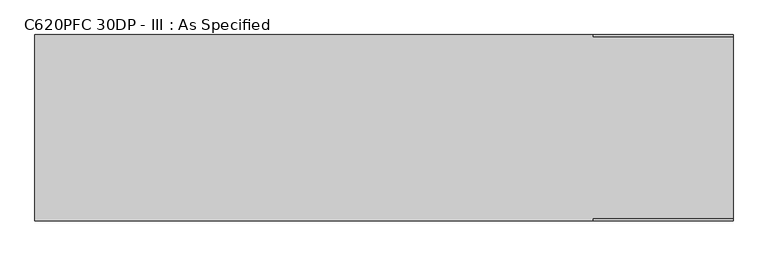
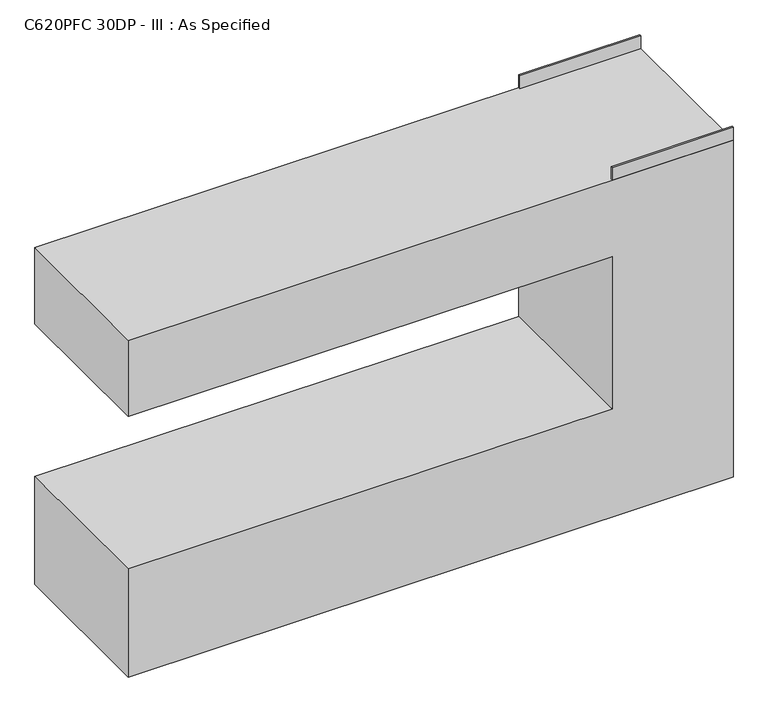
"""IFC4 building model written with IfcOpenShell, lengths in millimetres: proxy geometry, C620PFC 30DP - III : As Specified."""

from ifc_helpers import new_model, si_unit, frame, origin, place, context, project, spatial, polyline, outline, extrude, source, transform, mapped, element, save


def c620pfc_30dp_iii_as_specified_7d07d1db(model_context):
    return source(origin(), model_context, "Body", "SweptSolid", [
        extrude(outline(polyline([(685.8, -304.8), (685.8, -298.45), (1143.0, -298.45), (1143.0, -304.8), (685.8, -304.8)])), frame((0.0, 0.0, 1346.2), z_axis=(0.0, 0.0, 1.0), x_axis=(1.0, 0.0, 0.0)), (0.0, 0.0, 1.0), 50.8),
        extrude(outline(polyline([(685.8, 298.45), (685.8, 304.8), (1143.0, 304.8), (1143.0, 298.45), (685.8, 298.45)])), frame((0.0, 0.0, 1346.2), z_axis=(0.0, 0.0, 1.0), x_axis=(1.0, 0.0, 0.0)), (0.0, 0.0, 1.0), 50.8),
        extrude(outline(polyline([(1346.2, 1143.0), (1346.2, -1143.0), (1041.4, -1143.0), (1041.4, 685.8), (431.8, 685.8), (431.8, -1143.0), (0.0, -1143.0), (0.0, 1143.0), (1346.2, 1143.0)])), frame((0.0, -304.8, 0.0), z_axis=(0.0, 1.0, 0.0), x_axis=(0.0, 0.0, 1.0)), (0.0, 0.0, 1.0), 609.6),
    ])


if __name__ == "__main__":
    model = new_model("IFC4")
    model_context = context("Model", 3, world=origin())
    ifc_project = project(units=[si_unit("LENGTHUNIT", "METRE", prefix="MILLI")], contexts=[model_context])
    site = spatial("IfcSite", under=ifc_project)
    building = spatial("IfcBuilding", under=site)
    placement = place(None, origin())
    c620pfc_30dp_iii_as_specified_shape = c620pfc_30dp_iii_as_specified_7d07d1db(model_context)
    element("IfcBuildingElementProxy", 1, Name="C620PFC 30DP - III : As Specified", ObjectType="C620PFC 30DP - III : As Specified", at=placement, inside=building, context=model_context, shape_type="MappedRepresentation", body=[
        mapped(c620pfc_30dp_iii_as_specified_shape, transform((0.0, 0.0, 0.0), x_axis=(1.0, 0.0, 0.0), y_axis=(0.0, 1.0, 0.0), z_axis=(0.0, 0.0, 1.0))),
    ])
    save(model, "model.ifc")
